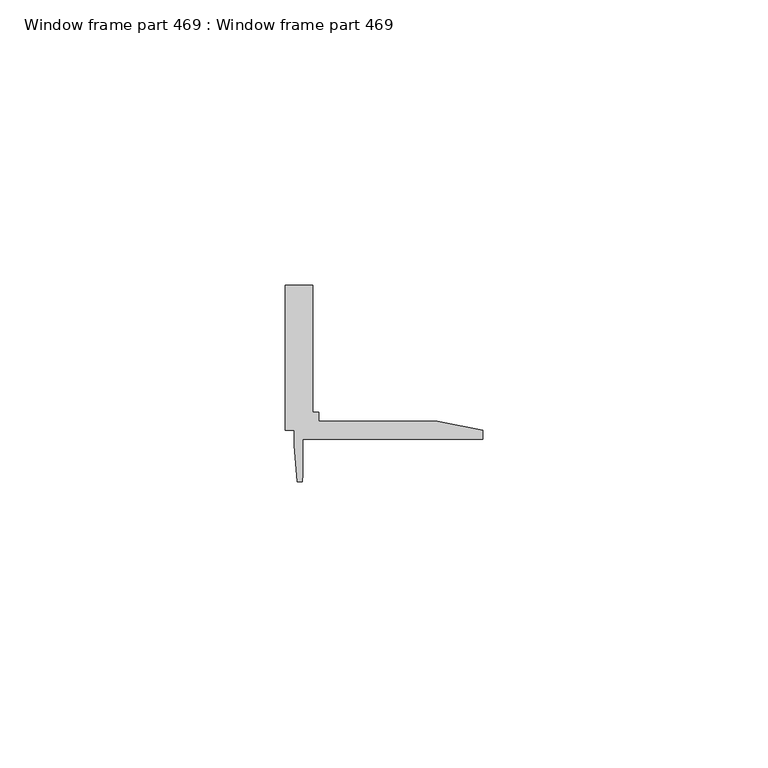
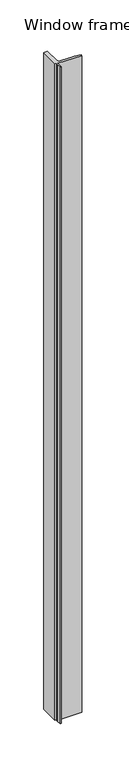
"""IFC4 building model written with IfcOpenShell, lengths in millimetres: proxy geometry, Window frame part 469 : Window frame part 469."""

import ifcopenshell
import ifcopenshell.guid

model = None  # the IFC model being written
_history = None  # IfcOwnerHistory: only IFC2X3 demands one
_inside = {}  # id of a spatial element -> (the spatial element, [elements in it])
_under = {}  # id of a project, library or spatial element -> (it, [spatial elements below it])
_declared = {}  # id of a project -> (the project, [libraries it declares])
_typed = {}  # id of a type object -> (the type object, [elements of that type])
_made_of = {}  # id of a material, layer set ... -> (it, [elements and type objects made of it])


def new_model(schema):
    """Start an empty IFC model of exactly this schema.

    Asked for "IFC4X3", IfcOpenShell would pick the latest addendum, in which some entities
    have other attributes; the version numbers below select the first issue.
    IFC2X3 requires an IfcOwnerHistory on every rooted entity: one is made here for all.
    """
    global model, _history
    if schema == "IFC4X3":
        model = ifcopenshell.file(schema_version=(4, 3, 0, 0))
    else:
        model = ifcopenshell.file(schema=schema)
    _inside.clear()
    _under.clear()
    _declared.clear()
    _typed.clear()
    _made_of.clear()
    _history = None
    if model.schema == "IFC2X3":
        org = make("IfcOrganization", Name="unknown")
        user = make(
            "IfcPersonAndOrganization",
            ThePerson=make("IfcPerson", FamilyName="unknown"),
            TheOrganization=org,
        )
        app = make(
            "IfcApplication",
            ApplicationDeveloper=org,
            Version="unknown",
            ApplicationFullName="unknown",
            ApplicationIdentifier="unknown",
        )
        _history = make(
            "IfcOwnerHistory",
            OwningUser=user,
            OwningApplication=app,
            ChangeAction="ADDED",
            CreationDate=0,
        )
    return model


def make(cls, **values):
    """One entity of the class cls with the attributes given. An attribute that is None is left unset."""
    return model.create_entity(
        cls, **{name: value for name, value in values.items() if value is not None}
    )


def rooted(cls, **values):
    """An entity with a GlobalId (a new one), such as an element, a storey or a relation."""
    return make(cls, GlobalId=ifcopenshell.guid.new(), OwnerHistory=_history, **values)


def si_unit(unit_type, name, prefix=None):
    """IfcSIUnit, for example si_unit("LENGTHUNIT", "METRE", prefix="MILLI")."""
    return make("IfcSIUnit", UnitType=unit_type, Prefix=prefix, Name=name)


def assignment(units):
    """IfcUnitAssignment: the units of a project."""
    return None if units is None else make("IfcUnitAssignment", Units=units)


def point(xyz):
    """IfcCartesianPoint."""
    return None if xyz is None else make("IfcCartesianPoint", Coordinates=xyz)


def direction(xyz):
    """IfcDirection."""
    return None if xyz is None else make("IfcDirection", DirectionRatios=xyz)


def frame(location, z_axis=None, x_axis=None):
    """IfcAxis2Placement3D, a coordinate frame: its origin and axes. An axis left out is left unset."""
    return make(
        "IfcAxis2Placement3D",
        Location=point(location),
        Axis=direction(z_axis),
        RefDirection=direction(x_axis),
    )


def origin():
    """The frame at (0, 0, 0) with its axes left unset."""
    return frame((0.0, 0.0, 0.0))


def place(relative_to, where):
    """IfcLocalPlacement: puts the frame where relative to a parent placement (None: the world)."""
    return make(
        "IfcLocalPlacement", PlacementRelTo=relative_to, RelativePlacement=where
    )


def context(
    kind, dimensions, precision=None, world=None, true_north=None, identifier=None
):
    """IfcGeometricRepresentationContext, for example the 3D "Model" context."""
    return make(
        "IfcGeometricRepresentationContext",
        ContextIdentifier=identifier,
        ContextType=kind,
        CoordinateSpaceDimension=dimensions,
        Precision=precision,
        WorldCoordinateSystem=world,
        TrueNorth=true_north,
    )


def project(units=None, contexts=None):
    """IfcProject with its units and contexts."""
    return rooted(
        "IfcProject",
        Name="project",
        RepresentationContexts=contexts,
        UnitsInContext=assignment(units),
    )


def spatial(cls, under=None, at=None, **own):
    """A site, building, storey or space (cls), placed at a placement, below another one or the project."""
    s = rooted(cls, ObjectPlacement=at, **own)
    if under is not None:
        _under.setdefault(under.id(), (under, []))[1].append(s)
    return s


def polyline(points):
    """IfcPolyline through the points."""
    return make("IfcPolyline", Points=[point(p) for p in points])


def outline(outer, holes=None, kind="AREA"):
    """IfcArbitraryClosedProfileDef: a profile drawn as a closed curve; with holes, ...WithVoids."""
    if holes is None:
        return make("IfcArbitraryClosedProfileDef", ProfileType=kind, OuterCurve=outer)
    return make(
        "IfcArbitraryProfileDefWithVoids",
        ProfileType=kind,
        OuterCurve=outer,
        InnerCurves=holes,
    )


def extrude(swept, where, along, depth):
    """IfcExtrudedAreaSolid: the profile swept, set in the frame where, extruded along a direction by depth."""
    return make(
        "IfcExtrudedAreaSolid",
        SweptArea=swept,
        Position=where,
        ExtrudedDirection=direction(along),
        Depth=depth,
    )


def shape(context_of_items, identifier, shape_type, items):
    """IfcShapeRepresentation: the items that make up one representation, for example the "Body"."""
    return make(
        "IfcShapeRepresentation",
        ContextOfItems=context_of_items,
        RepresentationIdentifier=identifier,
        RepresentationType=shape_type,
        Items=items,
    )


def source(mapping_origin, context_of_items, identifier, shape_type, items):
    """IfcRepresentationMap: a shape defined once, which mapped items show again and again."""
    return make(
        "IfcRepresentationMap",
        MappingOrigin=mapping_origin,
        MappedRepresentation=shape(context_of_items, identifier, shape_type, items),
    )


def transform(
    local_origin,
    x_axis=None,
    y_axis=None,
    z_axis=None,
    scale=None,
    scale2=None,
    scale3=None,
    uniform=True,
):
    """IfcCartesianTransformationOperator3D, or its non-uniform kind. x_axis, y_axis, z_axis: its Axis1, 2, 3."""
    if uniform:
        return make(
            "IfcCartesianTransformationOperator3D",
            Axis1=direction(x_axis),
            Axis2=direction(y_axis),
            LocalOrigin=point(local_origin),
            Scale=scale,
            Axis3=direction(z_axis),
        )
    return make(
        "IfcCartesianTransformationOperator3DnonUniform",
        Axis1=direction(x_axis),
        Axis2=direction(y_axis),
        LocalOrigin=point(local_origin),
        Scale=scale,
        Axis3=direction(z_axis),
        Scale2=scale2,
        Scale3=scale3,
    )


def mapped(mapping_source, mapping_target):
    """IfcMappedItem: shows the shape of a source again, moved by a transform."""
    return make(
        "IfcMappedItem", MappingSource=mapping_source, MappingTarget=mapping_target
    )


def made_of(thing, what):
    """Note that an element or type object is made of a material, layer set ...; save() writes the relation."""
    if what is not None:
        _made_of.setdefault(what.id(), (what, []))[1].append(thing)
    return thing


def element(
    cls,
    number,
    at=None,
    inside=None,
    cuts=None,
    type_object=None,
    material=None,
    context=None,
    identifier="Body",
    shape_type=None,
    held_by="IfcProductDefinitionShape",
    body=None,
    shapes=None,
    **own,
):
    """One element of the class cls, such as IfcWall. Its Tag is "e" and its number.

    at: its placement. inside: the storey or other place that contains it. cuts: it is an
    opening in that element (IfcRelVoidsElement). A single representation is given by context,
    identifier, shape_type and body (its items); several are given by shapes. held_by: the class
    of the entity that holds the representations. save() writes the other relations.
    """
    e = rooted(cls, Tag="e%d" % number, ObjectPlacement=at, **own)
    if body is not None:
        shapes = [shape(context, identifier, shape_type, body)]
    if shapes is not None:
        e.Representation = make(held_by, Representations=shapes)
    if inside is not None:
        _inside.setdefault(inside.id(), (inside, []))[1].append(e)
    if cuts is not None:
        rooted(
            "IfcRelVoidsElement", RelatingBuildingElement=cuts, RelatedOpeningElement=e
        )
    if type_object is not None:
        _typed.setdefault(type_object.id(), (type_object, []))[1].append(e)
    return made_of(e, material)


def aggregate(whole, parts):
    """IfcRelAggregates: a whole, such as a stair, and the parts it consists of."""
    return rooted("IfcRelAggregates", RelatingObject=whole, RelatedObjects=parts)


def save(model, path):
    """Write the relations noted so far, then the file.

    IfcRelAggregates (storeys below a building ...), IfcRelContainedInSpatialStructure (elements
    in a storey), IfcRelDefinesByType, IfcRelAssociatesMaterial and IfcRelDeclares: one each for
    every whole, place, type object, material and project.
    """
    for whole, parts in _under.values():
        aggregate(whole, parts)
    for where, things in _inside.values():
        rooted(
            "IfcRelContainedInSpatialStructure",
            RelatedElements=things,
            RelatingStructure=where,
        )
    for kind, things in _typed.values():
        rooted("IfcRelDefinesByType", RelatedObjects=things, RelatingType=kind)
    for what, things in _made_of.values():
        rooted("IfcRelAssociatesMaterial", RelatedObjects=things, RelatingMaterial=what)
    for by, libraries in _declared.values():
        rooted("IfcRelDeclares", RelatingContext=by, RelatedDefinitions=libraries)
    model.write(path)


def window_frame_part_469_window_frame_part_469_36e4eb29(model_context):
    return source(origin(), model_context, "Body", "SweptSolid", [
        extrude(outline(polyline([(37221.1671368, -22783.2222824), (37222.1882168, -22783.2222824), (37222.1882168, -22784.7980984), (37236.5138168, -22784.7980984), (37237.5272768, -22784.7975904), (37242.9735448, -22784.7975904), (37250.9115528, -22786.3800104), (37250.9115528, -22787.9670024), (37219.4419688, -22787.9670024), (37219.4419688, -22794.1087224), (37219.3159848, -22795.3756744), (37218.4777848, -22795.3756744), (37217.9697848, -22789.0317704), (37217.9697848, -22788.0167864), (37217.9697848, -22786.3972824), (37216.3939688, -22786.3972824), (37216.3939688, -22761.0297944), (37221.1671368, -22761.0297944), (37221.1671368, -22783.2222824)])), frame((0.0, 0.0, 1524.0), z_axis=(0.0, 0.0, 1.0), x_axis=(1.0, 0.0, 0.0)), (0.0, 0.0, 1.0), 914.4),
    ])


if __name__ == "__main__":
    model = new_model("IFC4")
    model_context = context("Model", 3, world=origin())
    ifc_project = project(units=[si_unit("LENGTHUNIT", "METRE", prefix="MILLI")], contexts=[model_context])
    site = spatial("IfcSite", under=ifc_project)
    building = spatial("IfcBuilding", under=site)
    placement = place(None, origin())
    window_frame_part_469_window_frame_part_469_shape = window_frame_part_469_window_frame_part_469_36e4eb29(model_context)
    element("IfcBuildingElementProxy", 1, Name="Window frame part 469 : Window frame part 469", ObjectType="Window frame part 469 : Window frame part 469", at=placement, inside=building, context=model_context, shape_type="MappedRepresentation", body=[
        mapped(window_frame_part_469_window_frame_part_469_shape, transform((0.0, 0.0, 0.0), x_axis=(1.0, 0.0, 0.0), y_axis=(0.0, 1.0, 0.0), z_axis=(0.0, 0.0, 1.0))),
    ])
    save(model, "model.ifc")
